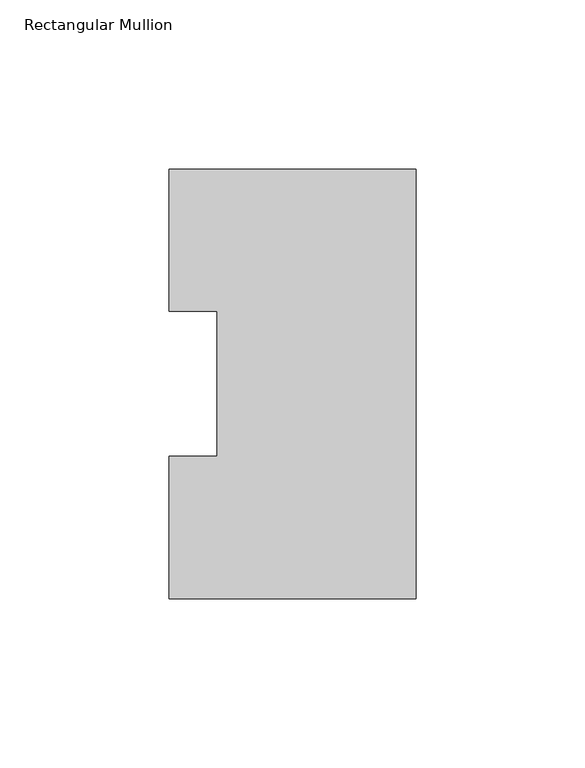
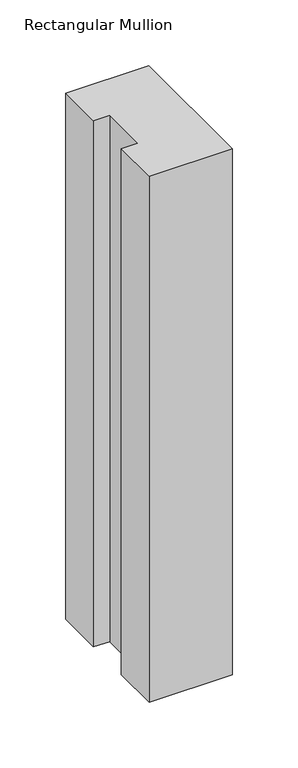
"""IFC4 building model written with IfcOpenShell, lengths in millimetres: member geometry, Rectangular Mullion."""

from ifc_helpers import new_model, si_unit, frame, origin, place, context, project, spatial, polyline, outline, extrude, source, transform, mapped, element, save


def rectangular_mullion_5e1f03c4(model_context):
    return source(origin(), model_context, "Body", "SweptSolid", [
        extrude(outline(polyline([(0.0, 127.00635), (0.0, 0.00635), (-73.025, 0.00635), (-73.025, 42.08145), (-58.7375, 42.08145), (-58.7375, 84.93125), (-73.025, 84.93125), (-73.025, 127.00635), (0.0, 127.00635)])), frame((0.0, 0.0, -489.0434633), z_axis=(0.0, 0.0, 1.0), x_axis=(1.0, 0.0, 0.0)), (0.0, 0.0, 1.0), 489.0434633),
    ])


if __name__ == "__main__":
    model = new_model("IFC4")
    model_context = context("Model", 3, world=origin())
    ifc_project = project(units=[si_unit("LENGTHUNIT", "METRE", prefix="MILLI")], contexts=[model_context])
    site = spatial("IfcSite", under=ifc_project)
    building = spatial("IfcBuilding", under=site)
    placement = place(None, origin())
    rectangular_mullion_shape = rectangular_mullion_5e1f03c4(model_context)
    element("IfcMember", 1, ObjectType="Rectangular Mullion", at=placement, inside=building, context=model_context, shape_type="MappedRepresentation", body=[
        mapped(rectangular_mullion_shape, transform((0.0, 0.0, 0.0), x_axis=(1.0, 0.0, 0.0), y_axis=(0.0, 1.0, 0.0), z_axis=(0.0, 0.0, 1.0))),
    ])
    save(model, "model.ifc")
